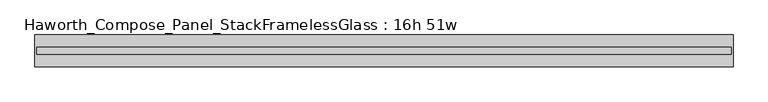
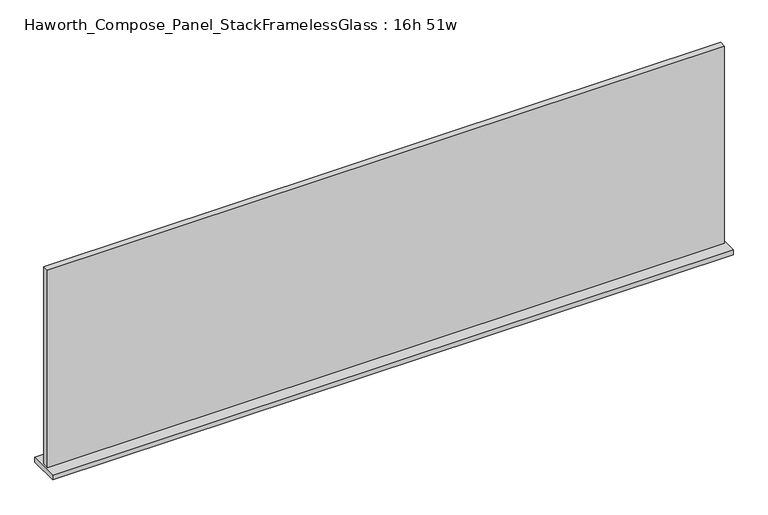
"""IFC4 building model written with IfcOpenShell, lengths in millimetres: furniture geometry, Haworth_Compose_Panel_StackFramelessGlass : 16h 51w."""

from ifc_helpers import new_model, si_unit, frame, origin, place, context, project, spatial, polyline, outline, extrude, source, transform, mapped, element, save


def haworth_compose_panel_stackframelessglass_16h_51w_6673fc5c(model_context):
    return source(origin(), model_context, "Body", "SweptSolid", [
        extrude(outline(polyline([(646.9652902, -27.3093594), (-642.0847098, -27.3093594), (-642.0847098, -14.6093594), (646.9652902, -14.6093594), (646.9652902, -27.3093594)])), frame((0.0, 0.0, 1279.525), z_axis=(0.0, 0.0, 1.0), x_axis=(1.0, 0.0, 0.0)), (0.0, 0.0, 1.0), 396.875),
        extrude(outline(polyline([(-645.2597098, -50.3281094), (-645.2597098, 8.4093906), (650.1402902, 8.4093906), (650.1402902, -50.3281094), (-645.2597098, -50.3281094)])), frame((0.0, 0.0, 1270.0), z_axis=(0.0, 0.0, 1.0), x_axis=(1.0, 0.0, 0.0)), (0.0, 0.0, 1.0), 9.525),
    ])


if __name__ == "__main__":
    model = new_model("IFC4")
    model_context = context("Model", 3, world=origin())
    ifc_project = project(units=[si_unit("LENGTHUNIT", "METRE", prefix="MILLI")], contexts=[model_context])
    site = spatial("IfcSite", under=ifc_project)
    building = spatial("IfcBuilding", under=site)
    placement = place(None, origin())
    haworth_compose_panel_stackframelessglass_16h_51w_shape = haworth_compose_panel_stackframelessglass_16h_51w_6673fc5c(model_context)
    element("IfcFurniture", 1, ObjectType="Haworth_Compose_Panel_StackFramelessGlass : 16h 51w", at=placement, inside=building, context=model_context, shape_type="MappedRepresentation", body=[
        mapped(haworth_compose_panel_stackframelessglass_16h_51w_shape, transform((0.0, 0.0, 0.0), x_axis=(1.0, 0.0, 0.0), y_axis=(0.0, 1.0, 0.0), z_axis=(0.0, 0.0, 1.0))),
    ])
    save(model, "model.ifc")
